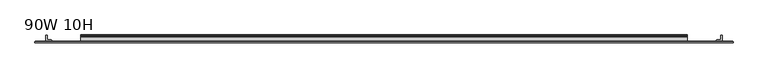
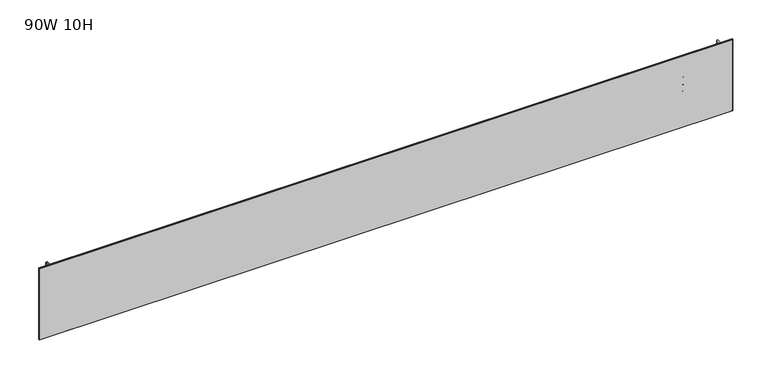
"""IFC4 building model written with IfcOpenShell, lengths in millimetres: furniture geometry, 90W 10H."""

from ifc_helpers import new_model, si_unit, point, frame, frame_2d, origin, place, context, project, spatial, polyline, circle_curve, trimmed, segment, composite_curve, outline, extrude, faceted_brep, source, transform, mapped, element, save


def furniture_90w_10h_3edd3306(model_context):
    return source(origin(), model_context, "Body", "SolidModel", [
        extrude(outline(composite_curve([segment(polyline([(-5.2324, 1003.1296044), (-5.2324, 1024.2481302)]), True, "CONTINUOUS"), segment(trimmed(circle_curve(frame_2d((-4.677496, 1024.2481302)), 0.554904), [point((-5.2324, 1024.2481302))], [point((-4.5338691, 1024.7841245))], False, "CARTESIAN"), True, "CONTINUOUS"), segment(polyline([(-4.5338691, 1024.7841245), (-3.3274001, 1024.4608349), (-2.3976956, 1023.5311678), (-2.0574001, 1022.2611145), (-2.0574001, 1009.4913299)]), True, "CONTINUOUS"), segment(trimmed(circle_curve(frame_2d((-1.4921701, 1009.4913299)), 0.5652299), [point((-2.0574001, 1009.4913299))], [point((-1.4921701, 1008.9261))], True, "CARTESIAN"), True, "CONTINUOUS"), segment(polyline([(-1.4921701, 1008.9261), (0.5143951, 1008.9261)]), True, "CONTINUOUS"), segment(trimmed(circle_curve(frame_2d((0.5143951, 1008.3228951)), 0.6032049), [point((0.5143951, 1008.9261))], [point((1.1176, 1008.3228951))], False, "CARTESIAN"), True, "CONTINUOUS"), segment(polyline([(1.1176, 1008.3228951), (1.1176, 977.2082914)]), True, "CONTINUOUS"), segment(trimmed(circle_curve(frame_2d((0.6637885, 979.8974964)), 2.7272272), [point((1.1176, 977.2082914))], [point((-2.0574001, 979.7161097))], False, "CARTESIAN"), True, "CONTINUOUS"), segment(polyline([(-2.0574001, 979.7161097), (-2.0574001, 1002.0318586)]), True, "CONTINUOUS"), segment(trimmed(circle_curve(frame_2d((-2.6016657, 1002.0318586)), 0.5442657), [point((-2.0574001, 1002.0318586))], [point((-2.6016657, 1002.5761242))], True, "CARTESIAN"), True, "CONTINUOUS"), segment(polyline([(-2.6016657, 1002.5761242), (-4.6789199, 1002.5761242)]), True, "CONTINUOUS"), segment(trimmed(circle_curve(frame_2d((-4.6789199, 1003.1296044)), 0.5534801), [point((-4.6789199, 1002.5761242))], [point((-5.2324, 1003.1296044))], False, "CARTESIAN"), True, "CONTINUOUS")], self_intersect=False)), frame((152.4, 0.0, 0.0), z_axis=(1.0, 0.0, 0.0), x_axis=(0.0, 1.0, 0.0)), (0.0, 0.0, 1.0), 1981.2),
        extrude(outline(composite_curve([segment(polyline([(-7.1373999, 1056.5511), (-4.5974, 1055.8705456), (-2.7379909, 1054.0111388), (-2.0574001, 1051.4711048), (-2.0574001, 1029.857422)]), True, "CONTINUOUS"), segment(trimmed(circle_curve(frame_2d((-1.4969277, 1029.857422)), 0.5604724), [point((-2.0574001, 1029.857422))], [point((-1.4969277, 1029.2969496))], True, "CARTESIAN"), True, "CONTINUOUS"), segment(polyline([(-1.4969277, 1029.2969496), (0.4039455, 1029.2969496)]), True, "CONTINUOUS"), segment(trimmed(circle_curve(frame_2d((0.4039455, 1028.5832952)), 0.7136544), [point((0.4039455, 1029.2969496))], [point((1.1176, 1028.5832952))], False, "CARTESIAN"), True, "CONTINUOUS"), segment(polyline([(1.1176, 1028.5832952), (1.1176, 1010.2271562)]), True, "CONTINUOUS"), segment(trimmed(circle_curve(frame_2d((0.4746932, 1010.2271562)), 0.6429068), [point((1.1176, 1010.2271562))], [point((-0.1003385, 1009.9396364))], False, "CARTESIAN"), True, "CONTINUOUS"), segment(polyline([(-0.1003385, 1009.9396364), (-1.8183367, 1013.3755852)]), True, "CONTINUOUS"), segment(trimmed(circle_curve(frame_2d((0.2069874, 1014.3882613)), 2.2643874), [point((-1.8183367, 1013.3755852))], [point((-2.0574001, 1014.3882613))], False, "CARTESIAN"), True, "CONTINUOUS"), segment(polyline([(-2.0574001, 1014.3882613), (-2.0574001, 1024.0639396)]), True, "CONTINUOUS"), segment(trimmed(circle_curve(frame_2d((-2.7946089, 1024.0639396)), 0.7372088), [point((-2.0574001, 1024.0639396))], [point((-2.7946089, 1024.8011484))], True, "CARTESIAN"), True, "CONTINUOUS"), segment(polyline([(-2.7946089, 1024.8011484), (-19.4564001, 1024.8011484), (-19.4564001, 1056.5511), (-7.1373999, 1056.5511)]), True, "CONTINUOUS")], self_intersect=False), holes=[composite_curve([segment(trimmed(circle_curve(frame_2d((-13.0222745, 1051.260013)), 2.7511257), [point((-13.0222745, 1054.0111388))], [point((-15.7734002, 1051.260013))], True, "CARTESIAN"), True, "CONTINUOUS"), segment(polyline([(-15.7734002, 1051.260013), (-15.7734002, 1029.9251649)]), True, "CONTINUOUS"), segment(trimmed(circle_curve(frame_2d((-13.189345, 1029.9251649)), 2.5840552), [point((-15.7734002, 1029.9251649))], [point((-13.189345, 1027.3411097))], True, "CARTESIAN"), True, "CONTINUOUS"), segment(polyline([(-13.189345, 1027.3411097), (-7.4218653, 1027.3411097)]), True, "CONTINUOUS"), segment(trimmed(circle_curve(frame_2d((-7.4218653, 1030.1655749)), 2.8244652), [point((-7.4218653, 1027.3411097))], [point((-4.5974, 1030.1655749))], True, "CARTESIAN"), True, "CONTINUOUS"), segment(polyline([(-4.5974, 1030.1655749), (-4.5974, 1051.333995)]), True, "CONTINUOUS"), segment(trimmed(circle_curve(frame_2d((-7.2745438, 1051.333995)), 2.6771438), [point((-4.5974, 1051.333995))], [point((-7.2745438, 1054.0111388))], True, "CARTESIAN"), True, "CONTINUOUS"), segment(polyline([(-7.2745438, 1054.0111388), (-13.0222745, 1054.0111388)]), True, "CONTINUOUS")], self_intersect=False)]), frame((152.4, 0.0, 0.0), z_axis=(1.0, 0.0, 0.0), x_axis=(0.0, 1.0, 0.0)), (0.0, 0.0, 1.0), 1981.2),
        extrude(outline(composite_curve([segment(trimmed(circle_curve(frame_2d((2247.3524764, -18.9088765)), 0.5475236), [point((2247.9, -18.9088765))], [point((2247.3524764, -19.4564001))], False, "CARTESIAN"), True, "CONTINUOUS"), segment(polyline([(2247.3524764, -19.4564001), (2229.4113866, -19.4564001)]), True, "CONTINUOUS"), segment(trimmed(circle_curve(frame_2d((2229.4113866, -18.8950135)), 0.5613866), [point((2229.4113866, -19.4564001))], [point((2228.85, -18.8950135))], False, "CARTESIAN"), True, "CONTINUOUS"), segment(polyline([(2228.85, -18.8950135), (2228.85, -16.8669745)]), True, "CONTINUOUS"), segment(trimmed(circle_curve(frame_2d((2231.4294745, -16.8669745)), 2.5794745), [point((2228.85, -16.8669745))], [point((2231.4294745, -14.2875))], False, "CARTESIAN"), True, "CONTINUOUS"), segment(polyline([(2231.4294745, -14.2875), (2242.4787912, -14.2875)]), True, "CONTINUOUS"), segment(trimmed(circle_curve(frame_2d((2242.4787912, -13.6414903)), 0.6460097), [point((2242.4787912, -14.2875))], [point((2243.1248009, -13.6414903))], True, "CARTESIAN"), True, "CONTINUOUS"), segment(polyline([(2243.1248009, -13.6414903), (2243.1248009, -2.768893)]), True, "CONTINUOUS"), segment(trimmed(circle_curve(frame_2d((2245.8936939, -2.768893)), 2.768893), [point((2243.1248009, -2.768893))], [point((2245.8936939, 0.0))], False, "CARTESIAN"), True, "CONTINUOUS"), segment(polyline([(2245.8936939, 0.0), (2247.3082199, 0.0)]), True, "CONTINUOUS"), segment(trimmed(circle_curve(frame_2d((2247.3082199, -0.5917801)), 0.5917801), [point((2247.3082199, 0.0))], [point((2247.9, -0.5917801))], False, "CARTESIAN"), True, "CONTINUOUS"), segment(polyline([(2247.9, -0.5917801), (2247.9, -18.9088765)]), True, "CONTINUOUS")], self_intersect=False)), frame((0.0, 0.0, 900.4046), z_axis=(0.0, 0.0, 1.0), x_axis=(1.0, 0.0, 0.0)), (0.0, 0.0, 1.0), 238.1123),
        extrude(outline(composite_curve([segment(polyline([(38.1, -18.9088765), (38.1, -0.5917801)]), True, "CONTINUOUS"), segment(trimmed(circle_curve(frame_2d((38.6917801, -0.5917801)), 0.5917801), [point((38.1, -0.5917801))], [point((38.6917801, 0.0))], False, "CARTESIAN"), True, "CONTINUOUS"), segment(polyline([(38.6917801, 0.0), (40.1063061, 0.0)]), True, "CONTINUOUS"), segment(trimmed(circle_curve(frame_2d((40.1063061, -2.768893)), 2.768893), [point((40.1063061, 0.0))], [point((42.8751991, -2.768893))], False, "CARTESIAN"), True, "CONTINUOUS"), segment(polyline([(42.8751991, -2.768893), (42.8751991, -13.6414903)]), True, "CONTINUOUS"), segment(trimmed(circle_curve(frame_2d((43.5212088, -13.6414903)), 0.6460097), [point((42.8751991, -13.6414903))], [point((43.5212088, -14.2875))], True, "CARTESIAN"), True, "CONTINUOUS"), segment(polyline([(43.5212088, -14.2875), (54.5705255, -14.2875)]), True, "CONTINUOUS"), segment(trimmed(circle_curve(frame_2d((54.5705255, -16.8669745)), 2.5794745), [point((54.5705255, -14.2875))], [point((57.15, -16.8669745))], False, "CARTESIAN"), True, "CONTINUOUS"), segment(polyline([(57.15, -16.8669745), (57.15, -18.8950135)]), True, "CONTINUOUS"), segment(trimmed(circle_curve(frame_2d((56.5886134, -18.8950135)), 0.5613866), [point((57.15, -18.8950135))], [point((56.5886134, -19.4564001))], False, "CARTESIAN"), True, "CONTINUOUS"), segment(polyline([(56.5886134, -19.4564001), (38.6475236, -19.4564001)]), True, "CONTINUOUS"), segment(trimmed(circle_curve(frame_2d((38.6475236, -18.9088765)), 0.5475236), [point((38.6475236, -19.4564001))], [point((38.1, -18.9088765))], False, "CARTESIAN"), True, "CONTINUOUS")], self_intersect=False)), frame((0.0, 0.0, 900.4046), z_axis=(0.0, 0.0, 1.0), x_axis=(1.0, 0.0, 0.0)), (0.0, 0.0, 1.0), 238.1123),
        extrude(outline(polyline([(2278.6975002, -20.0634601), (7.3024998, -20.0634601), (7.3024998, -19.4564001), (2278.6975002, -19.4564001), (2278.6975002, -20.0634601)])), frame((0.0, 0.0, 900.4046), z_axis=(0.0, 0.0, 1.0), x_axis=(1.0, 0.0, 0.0)), (0.0, 0.0, 1.0), 238.1123),
        faceted_brep([(2283.4600024, -24.0512595, 1143.2794), (2283.4600024, -20.8508598, 1143.2794), (2.5400001, -20.8508598, 1143.2794), (2.5400001, -24.0512595, 1143.2794), (2.5400001, -24.0512595, 895.6294), (2.5400001, -20.8508598, 895.6294), (2283.4600024, -20.8508598, 895.6294), (2283.4600024, -24.0512595, 895.6294), (3.3274521, -24.8386592, 1142.4919481), (3.3274521, -24.8386592, 896.4168519), (2282.6725505, -24.8386592, 896.4168519), (2282.6725505, -24.8386592, 1142.4919481), (3.3274521, -20.0634601, 896.4168519), (3.3274521, -20.0634601, 1142.4919481), (2282.6725505, -20.0634601, 1142.4919481), (2282.6725505, -20.0634601, 896.4168519)], [[[0, 1, 2, 3]], [[4, 5, 6, 7]], [[8, 9, 10, 11]], [[1, 0, 7, 6]], [[12, 13, 14, 15]], [[3, 2, 5, 4]], [[12, 5, 2, 13]], [[4, 9, 8, 3]], [[5, 12, 15, 6]], [[9, 4, 7, 10]], [[6, 15, 14, 1]], [[10, 7, 0, 11]], [[13, 2, 1, 14]], [[3, 8, 11, 0]]]),
    ])


if __name__ == "__main__":
    model = new_model("IFC4")
    model_context = context("Model", 3, world=origin())
    ifc_project = project(units=[si_unit("LENGTHUNIT", "METRE", prefix="MILLI")], contexts=[model_context])
    site = spatial("IfcSite", under=ifc_project)
    building = spatial("IfcBuilding", under=site)
    placement = place(None, origin())
    furniture_90w_10h_shape = furniture_90w_10h_3edd3306(model_context)
    element("IfcFurniture", 1, ObjectType="90W 10H", at=placement, inside=building, context=model_context, shape_type="MappedRepresentation", body=[
        mapped(furniture_90w_10h_shape, transform((0.0, 0.0, 0.0), x_axis=(1.0, 0.0, 0.0), y_axis=(0.0, 1.0, 0.0), z_axis=(0.0, 0.0, 1.0))),
    ])
    save(model, "model.ifc")
